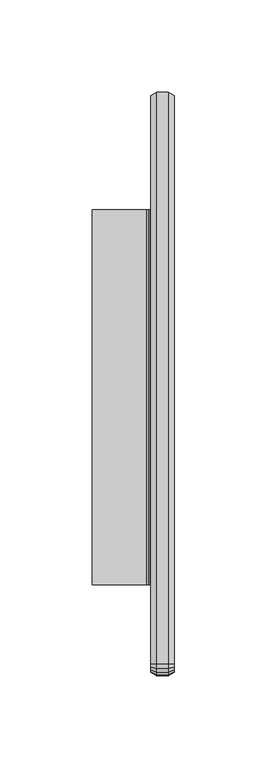
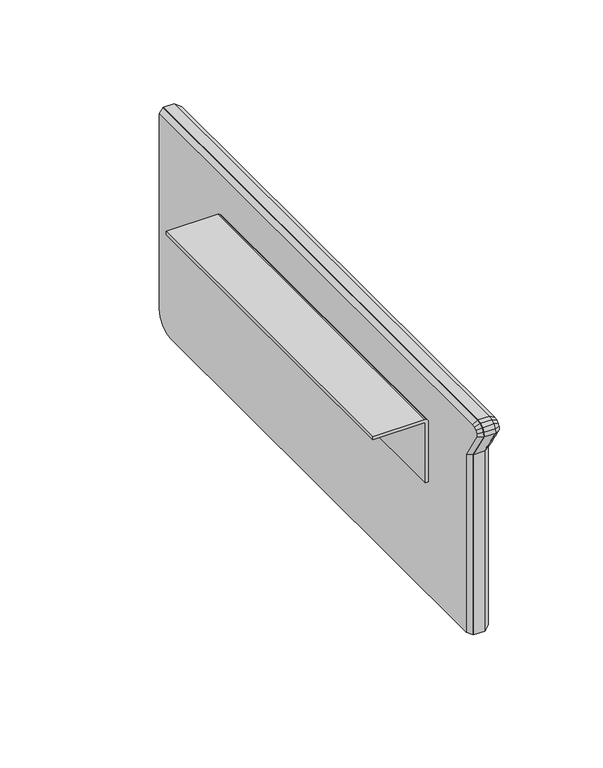
"""IFC4 building model written with IfcOpenShell, lengths in millimetres: furniture geometry."""

from ifc_helpers import new_model, si_unit, point, frame, frame_2d, origin, place, context, project, spatial, polyline, circle_curve, trimmed, segment, composite_curve, outline, extrude, source, transform, mapped, element, save
from ifc_brep_helpers import plane_surface, spline_surface, advanced_brep


def furniture_bfb5fba5(model_context):
    return source(origin(), model_context, "Body", "SolidModel", [
        extrude(outline(polyline([(72.8072873, 1043.5971), (382.4934345, 1043.5971), (382.4934345, 924.4367939), (381.5285732, 919.5861057), (378.7750031, 915.4651091), (374.6539996, 912.7115526), (369.7935512, 911.7447354), (77.3273072, 911.7447354), (77.3273072, 1020.1080745), (66.4555138, 1037.2433614), (66.9394769, 1039.6763523), (68.316246, 1041.7368552), (70.3767307, 1043.113638), (72.8072873, 1043.5971)])), frame((53.6537771, 0.0, 0.0), z_axis=(1.0, 0.0, 0.0), x_axis=(0.0, 1.0, 0.0)), (0.0, 0.0, 1.0), 6.351265),
        advanced_brep(
        [(50.4787771, 380.6599435, 1041.7636431), (50.4787771, 380.6599435, 924.4471576), (50.4787771, 379.8325504, 920.2876731), (50.4787771, 377.4763465, 916.761453), (50.4787771, 373.9500538, 914.405365), (50.4787771, 369.7905398, 913.5781081), (50.4787771, 78.9830201, 913.5781081), (50.4787771, 78.9830201, 1020.2943867), (50.4787771, 68.2874157, 1037.245823), (50.4787771, 68.6313264, 1038.9747486), (50.4787771, 69.6106997, 1040.4404477), (50.4787771, 71.0764533, 1041.4197756), (50.4787771, 72.8053812, 1041.7636431), (53.6537771, 382.4934345, 1043.5971), (53.6537771, 72.8051995, 1043.5971), (53.6537771, 70.3746793, 1043.113638), (53.6537771, 68.3141946, 1041.7368529), (53.6537771, 66.9373891, 1039.6763523), (53.6537771, 66.453952, 1037.245823), (53.6537771, 77.3273072, 1020.1080745), (53.6537771, 77.3273072, 911.7447354), (53.6537771, 369.7915227, 911.7447354), (53.6537771, 374.6519368, 912.7115549), (53.6537771, 378.7729403, 915.4651113), (53.6537771, 381.5265104, 919.586108), (53.6537771, 382.4934345, 924.4471576)],
        [
            (0, 1),
            (1, 2),
            (2, 3),
            (3, 4),
            (4, 5),
            (5, 6),
            (6, 7),
            (7, 8),
            (8, 9),
            (9, 10),
            (10, 11),
            (11, 12),
            (12, 0),
            (13, 14),
            (14, 15),
            (15, 16),
            (16, 17),
            (17, 18),
            (18, 19),
            (19, 20),
            (20, 21),
            (21, 22),
            (22, 23),
            (23, 24),
            (24, 25),
            (25, 13),
            (13, 0),
            (12, 14),
            (11, 15),
            (10, 16),
            (9, 17),
            (8, 18),
            (7, 19),
            (6, 20),
            (5, 21),
            (4, 22),
            (3, 23),
            (2, 24),
            (1, 25),
        ],
        [
            plane_surface(frame((50.4787771, 213.1343611, 981.9200256), z_axis=(-1.0, 0.0, 0.0), x_axis=(0.0, 0.0, -1.0))),
            plane_surface(frame((53.6537771, 213.0207544, 981.9057187), z_axis=(1.0, 0.0, 0.0), x_axis=(0.0, 0.0, -1.0))),
            plane_surface(frame((53.6537771, 227.649317, 1043.5971), z_axis=(-0.5000756353928664, 0.0, 0.8659817312659782), x_axis=(0.0, 1.0, 0.0))),
            spline_surface(1, 1, [[(53.6537771, 70.3746793, 1043.113638), (50.4787771, 71.0764533, 1041.4197756)], [(53.6537771, 72.8051995, 1043.5971), (50.4787771, 72.8053812, 1041.7636431)]], [2, 2], [2, 2], [0.0, 1.0], [0.0, 1.0]),
            spline_surface(1, 1, [[(53.6537771, 68.3141946, 1041.7368529), (50.4787771, 69.6106997, 1040.4404477)], [(53.6537771, 70.3746793, 1043.113638), (50.4787771, 71.0764533, 1041.4197756)]], [2, 2], [2, 2], [0.0, 1.0], [0.0, 1.0]),
            spline_surface(1, 1, [[(53.6537771, 66.9373891, 1039.6763523), (50.4787771, 68.6313264, 1038.9747486)], [(53.6537771, 68.3141946, 1041.7368529), (50.4787771, 69.6106997, 1040.4404477)]], [2, 2], [2, 2], [0.0, 1.0], [0.0, 1.0]),
            spline_surface(1, 1, [[(53.6537771, 66.453952, 1037.245823), (50.4787771, 68.2874157, 1037.245823)], [(53.6537771, 66.9373891, 1039.6763523), (50.4787771, 68.6313264, 1038.9747486)]], [2, 2], [2, 2], [0.0, 1.0], [0.0, 1.0]),
            spline_surface(1, 1, [[(53.6537771, 77.3273072, 1020.1080745), (50.4787771, 78.9830201, 1020.2943867)], [(53.6537771, 66.453952, 1037.245823), (50.4787771, 68.2874157, 1037.245823)]], [2, 2], [2, 2], [0.0, 1.0], [0.0, 1.0]),
            plane_surface(frame((53.6537771, 77.3273072, 965.9264049), z_axis=(-0.4623884437147984, -0.8866774651016043, 0.0), x_axis=(0.0, 0.0, 1.0))),
            plane_surface(frame((53.6537771, 223.5594149, 911.7447354), z_axis=(-0.5000584225136205, 0.0, -0.8659916709028957), x_axis=(0.0, -1.0, 0.0))),
            spline_surface(1, 1, [[(53.6537771, 374.6519368, 912.7115549), (50.4787771, 373.9500538, 914.405365)], [(53.6537771, 369.7915227, 911.7447354), (50.4787771, 369.7905398, 913.5781081)]], [2, 2], [2, 2], [0.0, 1.0], [0.0, 1.0]),
            spline_surface(1, 1, [[(53.6537771, 378.7729403, 915.4651113), (50.4787771, 377.4763465, 916.761453)], [(53.6537771, 374.6519368, 912.7115549), (50.4787771, 373.9500538, 914.405365)]], [2, 2], [2, 2], [0.0, 1.0], [0.0, 1.0]),
            spline_surface(1, 1, [[(53.6537771, 381.5265104, 919.586108), (50.4787771, 379.8325504, 920.2876731)], [(53.6537771, 378.7729403, 915.4651113), (50.4787771, 377.4763465, 916.761453)]], [2, 2], [2, 2], [0.0, 1.0], [0.0, 1.0]),
            spline_surface(1, 1, [[(53.6537771, 382.4934345, 924.4471576), (50.4787771, 380.6599435, 924.4471576)], [(53.6537771, 381.5265104, 919.586108), (50.4787771, 379.8325504, 920.2876731)]], [2, 2], [2, 2], [0.0, 1.0], [0.0, 1.0]),
            plane_surface(frame((53.6537771, 382.4934345, 984.0221288), z_axis=(-0.5000826028718326, 0.8659777077413328, 0.0), x_axis=(0.0, 0.0, -1.0))),
        ],
        [
            (0, [[1, 2, 3, 4, 5, 6, 7, 8, 9, 10, 11, 12, 13]]),
            (1, [[14, 15, 16, 17, 18, 19, 20, 21, 22, 23, 24, 25, 26]]),
            (2, [[-14, 27, -13, 28]]),
            (3, [[-15, -28, -12, 29]]),
            (4, [[-16, -29, -11, 30]]),
            (5, [[-17, -30, -10, 31]]),
            (6, [[-18, -31, -9, 32]]),
            (7, [[-19, -32, -8, 33]]),
            (8, [[-20, -33, -7, 34]]),
            (9, [[-21, -34, -6, 35]]),
            (10, [[-22, -35, -5, 36]]),
            (11, [[-23, -36, -4, 37]]),
            (12, [[-24, -37, -3, 38]]),
            (13, [[-25, -38, -2, 39]]),
            (14, [[-26, -39, -1, -27]]),
        ],
    ),
        advanced_brep(
        [(63.1806892, 380.6599435, 1041.7636272), (63.1806892, 72.8053812, 1041.7636272), (63.1806892, 71.0764533, 1041.4197756), (63.1806892, 69.6106997, 1040.4404477), (63.1806892, 68.6313264, 1038.9747486), (63.1806892, 68.2874157, 1037.245823), (63.1806892, 78.9830201, 1020.2943867), (63.1806892, 78.9830201, 913.5781081), (63.1806892, 369.7905398, 913.5781081), (63.1806892, 373.9500538, 914.405365), (63.1806892, 377.4763465, 916.761453), (63.1806892, 379.8325504, 920.2876731), (63.1806892, 380.6599435, 924.4471576), (60.0050418, 382.4934345, 1043.5971), (60.0050418, 382.4934345, 924.4472484), (60.0050418, 381.5265104, 919.5861988), (60.0050418, 378.7729403, 915.4652022), (60.0050418, 374.6519368, 912.7116457), (60.0050418, 369.7908827, 911.7447352), (60.0050418, 77.3273072, 911.7447352), (60.0050418, 77.3273072, 1020.1080745), (60.0050418, 66.453952, 1037.245823), (60.0050418, 66.9373891, 1039.6763523), (60.0050418, 68.3141946, 1041.7368529), (60.0050418, 70.3746793, 1043.113638), (60.0050418, 72.8051995, 1043.5971)],
        [
            (0, 1),
            (1, 2),
            (2, 3),
            (3, 4),
            (4, 5),
            (5, 6),
            (6, 7),
            (7, 8),
            (8, 9),
            (9, 10),
            (10, 11),
            (11, 12),
            (12, 0),
            (13, 14),
            (14, 15),
            (15, 16),
            (16, 17),
            (17, 18),
            (18, 19),
            (19, 20),
            (20, 21),
            (21, 22),
            (22, 23),
            (23, 24),
            (24, 25),
            (25, 13),
            (25, 1),
            (0, 13),
            (24, 2),
            (23, 3),
            (22, 4),
            (21, 5),
            (20, 6),
            (19, 7),
            (18, 8),
            (17, 9),
            (16, 10),
            (15, 11),
            (14, 12),
        ],
        [
            plane_surface(frame((63.1806892, 213.1343611, 981.9200231), z_axis=(1.0, 0.0, -3.641294491756053e-11), x_axis=(0.0, -1.0, 0.0))),
            plane_surface(frame((60.0050418, 213.0207052, 981.9057466), z_axis=(-1.0, 0.0, 3.641294491756053e-11), x_axis=(0.0, -1.0, 0.0))),
            plane_surface(frame((60.0050418, 227.649317, 1043.5971), z_axis=(0.5000024246884561, 0.0, 0.8660240038853801), x_axis=(0.0, -1.0, 0.0))),
            spline_surface(1, 1, [[(60.0050418, 72.8051995, 1043.5971), (63.1806892, 72.8053812, 1041.7636272)], [(60.0050418, 70.3746793, 1043.113638), (63.1806892, 71.0764533, 1041.4197756)]], [2, 2], [2, 2], [0.0, 1.0], [0.0, 1.0]),
            spline_surface(1, 1, [[(60.0050418, 70.3746793, 1043.113638), (63.1806892, 71.0764533, 1041.4197756)], [(60.0050418, 68.3141946, 1041.7368529), (63.1806892, 69.6106997, 1040.4404477)]], [2, 2], [2, 2], [0.0, 1.0], [0.0, 1.0]),
            spline_surface(1, 1, [[(60.0050418, 68.3141946, 1041.7368529), (63.1806892, 69.6106997, 1040.4404477)], [(60.0050418, 66.9373891, 1039.6763523), (63.1806892, 68.6313264, 1038.9747486)]], [2, 2], [2, 2], [0.0, 1.0], [0.0, 1.0]),
            spline_surface(1, 1, [[(60.0050418, 66.9373891, 1039.6763523), (63.1806892, 68.6313264, 1038.9747486)], [(60.0050418, 66.453952, 1037.245823), (63.1806892, 68.2874157, 1037.245823)]], [2, 2], [2, 2], [0.0, 1.0], [0.0, 1.0]),
            spline_surface(1, 1, [[(60.0050418, 66.453952, 1037.245823), (63.1806892, 68.2874157, 1037.245823)], [(60.0050418, 77.3273072, 1020.1080745), (63.1806892, 78.9830201, 1020.2943867)]], [2, 2], [2, 2], [0.0, 1.0], [0.0, 1.0]),
            plane_surface(frame((60.0050418, 77.3273072, 965.9264049), z_axis=(0.46231432528309896, -0.8867161127655419, 0.0), x_axis=(0.0, 0.0, -1.0))),
            plane_surface(frame((60.0050418, 223.5590949, 911.7447352), z_axis=(0.49998199102449103, 0.0, -0.8660358010216355), x_axis=(0.0, 1.0, 0.0))),
            spline_surface(1, 1, [[(60.0050418, 369.7908827, 911.7447352), (63.1806892, 369.7905398, 913.5781081)], [(60.0050418, 374.6519368, 912.7116457), (63.1806892, 373.9500538, 914.405365)]], [2, 2], [2, 2], [0.0, 1.0], [0.0, 1.0]),
            spline_surface(1, 1, [[(60.0050418, 374.6519368, 912.7116457), (63.1806892, 373.9500538, 914.405365)], [(60.0050418, 378.7729403, 915.4652022), (63.1806892, 377.4763465, 916.761453)]], [2, 2], [2, 2], [0.0, 1.0], [0.0, 1.0]),
            spline_surface(1, 1, [[(60.0050418, 378.7729403, 915.4652022), (63.1806892, 377.4763465, 916.761453)], [(60.0050418, 381.5265104, 919.5861988), (63.1806892, 379.8325504, 920.2876731)]], [2, 2], [2, 2], [0.0, 1.0], [0.0, 1.0]),
            spline_surface(1, 1, [[(60.0050418, 381.5265104, 919.5861988), (63.1806892, 379.8325504, 920.2876731)], [(60.0050418, 382.4934345, 924.4472484), (63.1806892, 380.6599435, 924.4471576)]], [2, 2], [2, 2], [0.0, 1.0], [0.0, 1.0]),
            plane_surface(frame((60.0050418, 382.4934345, 984.0221742), z_axis=(0.5000061404764315, 0.8660218585496922, 0.0), x_axis=(0.0, 0.0, 1.0))),
        ],
        [
            (0, [[1, 2, 3, 4, 5, 6, 7, 8, 9, 10, 11, 12, 13]]),
            (1, [[14, 15, 16, 17, 18, 19, 20, 21, 22, 23, 24, 25, 26]]),
            (2, [[-26, 27, -1, 28]]),
            (3, [[-25, 29, -2, -27]]),
            (4, [[-24, 30, -3, -29]]),
            (5, [[-23, 31, -4, -30]]),
            (6, [[-22, 32, -5, -31]]),
            (7, [[-21, 33, -6, -32]]),
            (8, [[-20, 34, -7, -33]]),
            (9, [[-19, 35, -8, -34]]),
            (10, [[-18, 36, -9, -35]]),
            (11, [[-17, 37, -10, -36]]),
            (12, [[-16, 38, -11, -37]]),
            (13, [[-15, 39, -12, -38]]),
            (14, [[-14, -28, -13, -39]]),
        ],
    ),
        extrude(outline(composite_curve([segment(polyline([(1018.1491935, 50.2924043), (1018.9733937, 49.741693), (1019.5241096, 48.9174928), (1019.7174935, 47.945282), (1019.7174935, 18.7294145), (1017.8197305, 18.7294145), (1017.8197305, 47.945282)]), True, "CONTINUOUS"), segment(trimmed(circle_curve(frame_2d((1017.1769827, 47.945282)), 0.6427478), [point((1017.8197305, 47.945282))], [point((1017.1769827, 48.5880298))], True, "CARTESIAN"), True, "CONTINUOUS"), segment(polyline([(1017.1769827, 48.5880298), (981.6098404, 48.5880298), (981.6098404, 50.4870675), (1017.1705742, 50.4870675), (1018.1491935, 50.2924043)]), True, "CONTINUOUS")], self_intersect=False)), frame((0.0, 115.7398313, 0.0), z_axis=(0.0, 1.0, 0.0), x_axis=(0.0, 0.0, 1.0)), (0.0, 0.0, 1.0), 203.2408375),
    ])


if __name__ == "__main__":
    model = new_model("IFC4")
    model_context = context("Model", 3, world=origin())
    ifc_project = project(units=[si_unit("LENGTHUNIT", "METRE", prefix="MILLI")], contexts=[model_context])
    site = spatial("IfcSite", under=ifc_project)
    building = spatial("IfcBuilding", under=site)
    placement = place(None, origin())
    furniture_shape = furniture_bfb5fba5(model_context)
    element("IfcFurniture", 1, at=placement, inside=building, context=model_context, shape_type="MappedRepresentation", body=[
        mapped(furniture_shape, transform((0.0, 0.0, 0.0), x_axis=(1.0, 0.0, 0.0), y_axis=(0.0, 1.0, 0.0), z_axis=(0.0, 0.0, 1.0))),
    ])
    save(model, "model.ifc")
